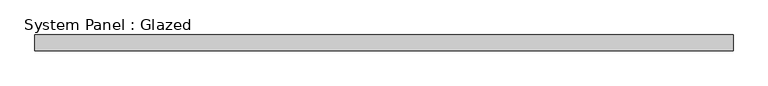
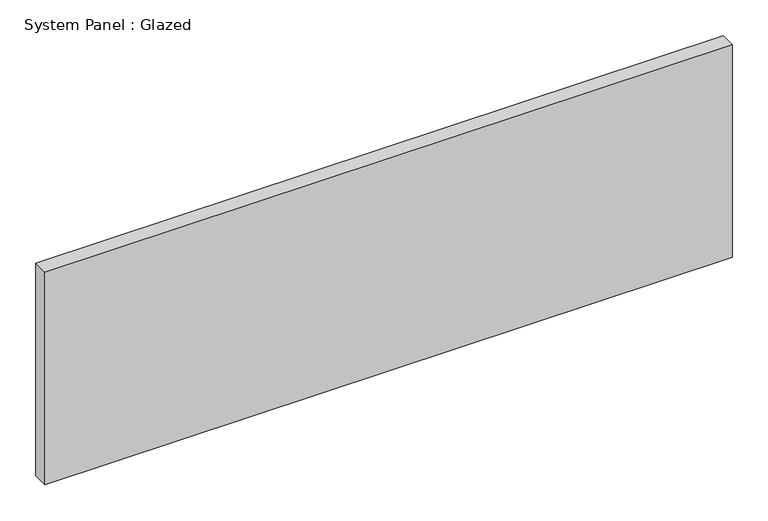
"""IFC4 building model written with IfcOpenShell, lengths in millimetres: plate geometry, System Panel : Glazed."""

from ifc_helpers import new_model, si_unit, origin, origin_with_axes, place, context, project, spatial, polyline, outline, extrude, source, transform, mapped, element, save


def system_panel_glazed_ef978e58(model_context):
    return source(origin(), model_context, "Body", "SweptSolid", [
        extrude(outline(polyline([(553.175, 19.05), (-553.175, 19.05), (-553.175, 44.45), (553.175, 44.45), (553.175, 19.05)])), origin_with_axes(), (0.0, 0.0, 1.0), 361.6),
    ])


if __name__ == "__main__":
    model = new_model("IFC4")
    model_context = context("Model", 3, world=origin())
    ifc_project = project(units=[si_unit("LENGTHUNIT", "METRE", prefix="MILLI")], contexts=[model_context])
    site = spatial("IfcSite", under=ifc_project)
    building = spatial("IfcBuilding", under=site)
    placement = place(None, origin())
    system_panel_glazed_shape = system_panel_glazed_ef978e58(model_context)
    element("IfcPlate", 1, ObjectType="System Panel : Glazed", at=placement, inside=building, context=model_context, shape_type="MappedRepresentation", body=[
        mapped(system_panel_glazed_shape, transform((0.0, 0.0, 0.0), x_axis=(1.0, 0.0, 0.0), y_axis=(0.0, 1.0, 0.0), z_axis=(0.0, 0.0, 1.0))),
    ])
    save(model, "model.ifc")
